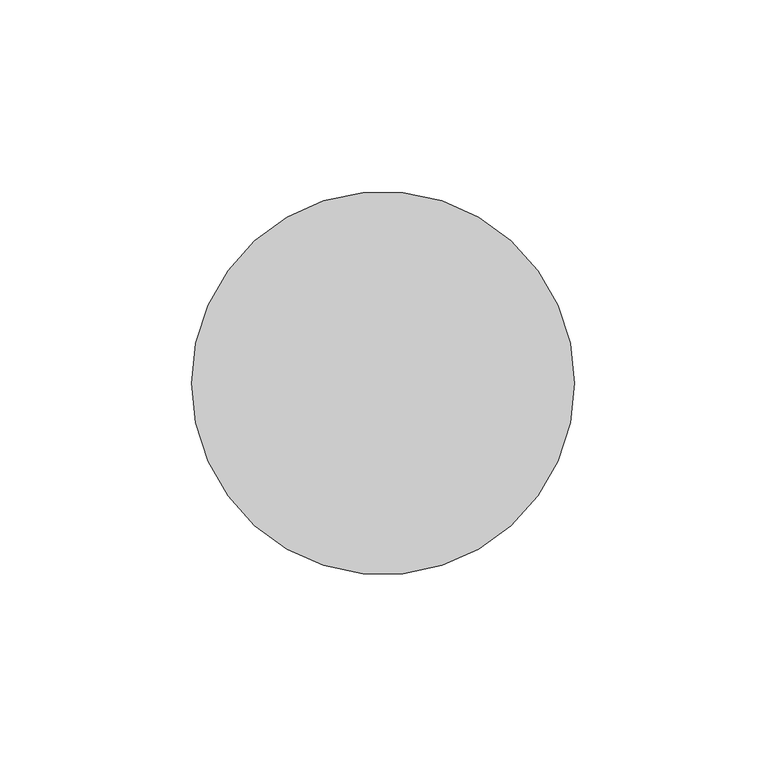
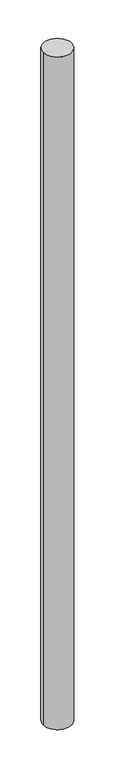
"""IFC4 building model written with IfcOpenShell, lengths in millimetres: column geometry."""

import ifcopenshell
import ifcopenshell.guid

model = None  # the IFC model being written
_history = None  # IfcOwnerHistory: only IFC2X3 demands one
_inside = {}  # id of a spatial element -> (the spatial element, [elements in it])
_under = {}  # id of a project, library or spatial element -> (it, [spatial elements below it])
_declared = {}  # id of a project -> (the project, [libraries it declares])
_typed = {}  # id of a type object -> (the type object, [elements of that type])
_made_of = {}  # id of a material, layer set ... -> (it, [elements and type objects made of it])


def new_model(schema):
    """Start an empty IFC model of exactly this schema.

    Asked for "IFC4X3", IfcOpenShell would pick the latest addendum, in which some entities
    have other attributes; the version numbers below select the first issue.
    IFC2X3 requires an IfcOwnerHistory on every rooted entity: one is made here for all.
    """
    global model, _history
    if schema == "IFC4X3":
        model = ifcopenshell.file(schema_version=(4, 3, 0, 0))
    else:
        model = ifcopenshell.file(schema=schema)
    _inside.clear()
    _under.clear()
    _declared.clear()
    _typed.clear()
    _made_of.clear()
    _history = None
    if model.schema == "IFC2X3":
        org = make("IfcOrganization", Name="unknown")
        user = make(
            "IfcPersonAndOrganization",
            ThePerson=make("IfcPerson", FamilyName="unknown"),
            TheOrganization=org,
        )
        app = make(
            "IfcApplication",
            ApplicationDeveloper=org,
            Version="unknown",
            ApplicationFullName="unknown",
            ApplicationIdentifier="unknown",
        )
        _history = make(
            "IfcOwnerHistory",
            OwningUser=user,
            OwningApplication=app,
            ChangeAction="ADDED",
            CreationDate=0,
        )
    return model


def make(cls, **values):
    """One entity of the class cls with the attributes given. An attribute that is None is left unset."""
    return model.create_entity(
        cls, **{name: value for name, value in values.items() if value is not None}
    )


def rooted(cls, **values):
    """An entity with a GlobalId (a new one), such as an element, a storey or a relation."""
    return make(cls, GlobalId=ifcopenshell.guid.new(), OwnerHistory=_history, **values)


def si_unit(unit_type, name, prefix=None):
    """IfcSIUnit, for example si_unit("LENGTHUNIT", "METRE", prefix="MILLI")."""
    return make("IfcSIUnit", UnitType=unit_type, Prefix=prefix, Name=name)


def assignment(units):
    """IfcUnitAssignment: the units of a project."""
    return None if units is None else make("IfcUnitAssignment", Units=units)


def point(xyz):
    """IfcCartesianPoint."""
    return None if xyz is None else make("IfcCartesianPoint", Coordinates=xyz)


def direction(xyz):
    """IfcDirection."""
    return None if xyz is None else make("IfcDirection", DirectionRatios=xyz)


def frame(location, z_axis=None, x_axis=None):
    """IfcAxis2Placement3D, a coordinate frame: its origin and axes. An axis left out is left unset."""
    return make(
        "IfcAxis2Placement3D",
        Location=point(location),
        Axis=direction(z_axis),
        RefDirection=direction(x_axis),
    )


def frame_2d(location, x_axis=None):
    """IfcAxis2Placement2D, a coordinate frame in the plane: its origin and x axis."""
    return make(
        "IfcAxis2Placement2D", Location=point(location), RefDirection=direction(x_axis)
    )


def origin():
    """The frame at (0, 0, 0) with its axes left unset."""
    return frame((0.0, 0.0, 0.0))


def origin_with_axes():
    """The frame at (0, 0, 0) with the z axis (0, 0, 1) and the x axis (1, 0, 0) written out."""
    return frame((0.0, 0.0, 0.0), z_axis=(0.0, 0.0, 1.0), x_axis=(1.0, 0.0, 0.0))


def origin_2d():
    """The frame at (0, 0) in the plane with its x axis left unset."""
    return frame_2d((0.0, 0.0))


def place(relative_to, where):
    """IfcLocalPlacement: puts the frame where relative to a parent placement (None: the world)."""
    return make(
        "IfcLocalPlacement", PlacementRelTo=relative_to, RelativePlacement=where
    )


def context(
    kind, dimensions, precision=None, world=None, true_north=None, identifier=None
):
    """IfcGeometricRepresentationContext, for example the 3D "Model" context."""
    return make(
        "IfcGeometricRepresentationContext",
        ContextIdentifier=identifier,
        ContextType=kind,
        CoordinateSpaceDimension=dimensions,
        Precision=precision,
        WorldCoordinateSystem=world,
        TrueNorth=true_north,
    )


def project(units=None, contexts=None):
    """IfcProject with its units and contexts."""
    return rooted(
        "IfcProject",
        Name="project",
        RepresentationContexts=contexts,
        UnitsInContext=assignment(units),
    )


def spatial(cls, under=None, at=None, **own):
    """A site, building, storey or space (cls), placed at a placement, below another one or the project."""
    s = rooted(cls, ObjectPlacement=at, **own)
    if under is not None:
        _under.setdefault(under.id(), (under, []))[1].append(s)
    return s


def circle_curve(where, radius):
    """IfcCircle in the frame where."""
    return make("IfcCircle", Position=where, Radius=radius)


def trimmed(basis, trim1, trim2, sense, master):
    """IfcTrimmedCurve: the piece of a basis curve between two trims."""
    return make(
        "IfcTrimmedCurve",
        BasisCurve=basis,
        Trim1=trim1,
        Trim2=trim2,
        SenseAgreement=sense,
        MasterRepresentation=master,
    )


def segment(curve, same_sense, transition):
    """IfcCompositeCurveSegment."""
    return make(
        "IfcCompositeCurveSegment",
        Transition=transition,
        SameSense=same_sense,
        ParentCurve=curve,
    )


def composite_curve(segments, self_intersect=None):
    """IfcCompositeCurve: segments joined end to end."""
    return make("IfcCompositeCurve", Segments=segments, SelfIntersect=self_intersect)


def outline(outer, holes=None, kind="AREA"):
    """IfcArbitraryClosedProfileDef: a profile drawn as a closed curve; with holes, ...WithVoids."""
    if holes is None:
        return make("IfcArbitraryClosedProfileDef", ProfileType=kind, OuterCurve=outer)
    return make(
        "IfcArbitraryProfileDefWithVoids",
        ProfileType=kind,
        OuterCurve=outer,
        InnerCurves=holes,
    )


def extrude(swept, where, along, depth):
    """IfcExtrudedAreaSolid: the profile swept, set in the frame where, extruded along a direction by depth."""
    return make(
        "IfcExtrudedAreaSolid",
        SweptArea=swept,
        Position=where,
        ExtrudedDirection=direction(along),
        Depth=depth,
    )


def shape(context_of_items, identifier, shape_type, items):
    """IfcShapeRepresentation: the items that make up one representation, for example the "Body"."""
    return make(
        "IfcShapeRepresentation",
        ContextOfItems=context_of_items,
        RepresentationIdentifier=identifier,
        RepresentationType=shape_type,
        Items=items,
    )


def source(mapping_origin, context_of_items, identifier, shape_type, items):
    """IfcRepresentationMap: a shape defined once, which mapped items show again and again."""
    return make(
        "IfcRepresentationMap",
        MappingOrigin=mapping_origin,
        MappedRepresentation=shape(context_of_items, identifier, shape_type, items),
    )


def transform(
    local_origin,
    x_axis=None,
    y_axis=None,
    z_axis=None,
    scale=None,
    scale2=None,
    scale3=None,
    uniform=True,
):
    """IfcCartesianTransformationOperator3D, or its non-uniform kind. x_axis, y_axis, z_axis: its Axis1, 2, 3."""
    if uniform:
        return make(
            "IfcCartesianTransformationOperator3D",
            Axis1=direction(x_axis),
            Axis2=direction(y_axis),
            LocalOrigin=point(local_origin),
            Scale=scale,
            Axis3=direction(z_axis),
        )
    return make(
        "IfcCartesianTransformationOperator3DnonUniform",
        Axis1=direction(x_axis),
        Axis2=direction(y_axis),
        LocalOrigin=point(local_origin),
        Scale=scale,
        Axis3=direction(z_axis),
        Scale2=scale2,
        Scale3=scale3,
    )


def mapped(mapping_source, mapping_target):
    """IfcMappedItem: shows the shape of a source again, moved by a transform."""
    return make(
        "IfcMappedItem", MappingSource=mapping_source, MappingTarget=mapping_target
    )


def made_of(thing, what):
    """Note that an element or type object is made of a material, layer set ...; save() writes the relation."""
    if what is not None:
        _made_of.setdefault(what.id(), (what, []))[1].append(thing)
    return thing


def element(
    cls,
    number,
    at=None,
    inside=None,
    cuts=None,
    type_object=None,
    material=None,
    context=None,
    identifier="Body",
    shape_type=None,
    held_by="IfcProductDefinitionShape",
    body=None,
    shapes=None,
    **own,
):
    """One element of the class cls, such as IfcWall. Its Tag is "e" and its number.

    at: its placement. inside: the storey or other place that contains it. cuts: it is an
    opening in that element (IfcRelVoidsElement). A single representation is given by context,
    identifier, shape_type and body (its items); several are given by shapes. held_by: the class
    of the entity that holds the representations. save() writes the other relations.
    """
    e = rooted(cls, Tag="e%d" % number, ObjectPlacement=at, **own)
    if body is not None:
        shapes = [shape(context, identifier, shape_type, body)]
    if shapes is not None:
        e.Representation = make(held_by, Representations=shapes)
    if inside is not None:
        _inside.setdefault(inside.id(), (inside, []))[1].append(e)
    if cuts is not None:
        rooted(
            "IfcRelVoidsElement", RelatingBuildingElement=cuts, RelatedOpeningElement=e
        )
    if type_object is not None:
        _typed.setdefault(type_object.id(), (type_object, []))[1].append(e)
    return made_of(e, material)


def aggregate(whole, parts):
    """IfcRelAggregates: a whole, such as a stair, and the parts it consists of."""
    return rooted("IfcRelAggregates", RelatingObject=whole, RelatedObjects=parts)


def save(model, path):
    """Write the relations noted so far, then the file.

    IfcRelAggregates (storeys below a building ...), IfcRelContainedInSpatialStructure (elements
    in a storey), IfcRelDefinesByType, IfcRelAssociatesMaterial and IfcRelDeclares: one each for
    every whole, place, type object, material and project.
    """
    for whole, parts in _under.values():
        aggregate(whole, parts)
    for where, things in _inside.values():
        rooted(
            "IfcRelContainedInSpatialStructure",
            RelatedElements=things,
            RelatingStructure=where,
        )
    for kind, things in _typed.values():
        rooted("IfcRelDefinesByType", RelatedObjects=things, RelatingType=kind)
    for what, things in _made_of.values():
        rooted("IfcRelAssociatesMaterial", RelatedObjects=things, RelatingMaterial=what)
    for by, libraries in _declared.values():
        rooted("IfcRelDeclares", RelatingContext=by, RelatedDefinitions=libraries)
    model.write(path)


def column_b3af6c84(model_context):
    return source(origin(), model_context, "Body", "SweptSolid", [
        extrude(outline(composite_curve([segment(trimmed(circle_curve(origin_2d(), 50.0), [point((-50.0, 0.0))], [point((50.0, 0.0))], False, "CARTESIAN"), True, "CONTINUOUS"), segment(trimmed(circle_curve(origin_2d(), 50.0), [point((50.0, 0.0))], [point((-50.0, 0.0))], False, "CARTESIAN"), True, "CONTINUOUS")], self_intersect=False)), origin_with_axes(), (0.0, 0.0, 1.0), 2500.0),
    ])


if __name__ == "__main__":
    model = new_model("IFC4")
    model_context = context("Model", 3, world=origin())
    ifc_project = project(units=[si_unit("LENGTHUNIT", "METRE", prefix="MILLI")], contexts=[model_context])
    site = spatial("IfcSite", under=ifc_project)
    building = spatial("IfcBuilding", under=site)
    placement = place(None, origin())
    column_shape = column_b3af6c84(model_context)
    element("IfcColumn", 1, at=placement, inside=building, context=model_context, shape_type="MappedRepresentation", body=[
        mapped(column_shape, transform((0.0, 0.0, 0.0), x_axis=(1.0, 0.0, 0.0), y_axis=(0.0, 1.0, 0.0), z_axis=(0.0, 0.0, 1.0))),
    ])
    save(model, "model.ifc")
